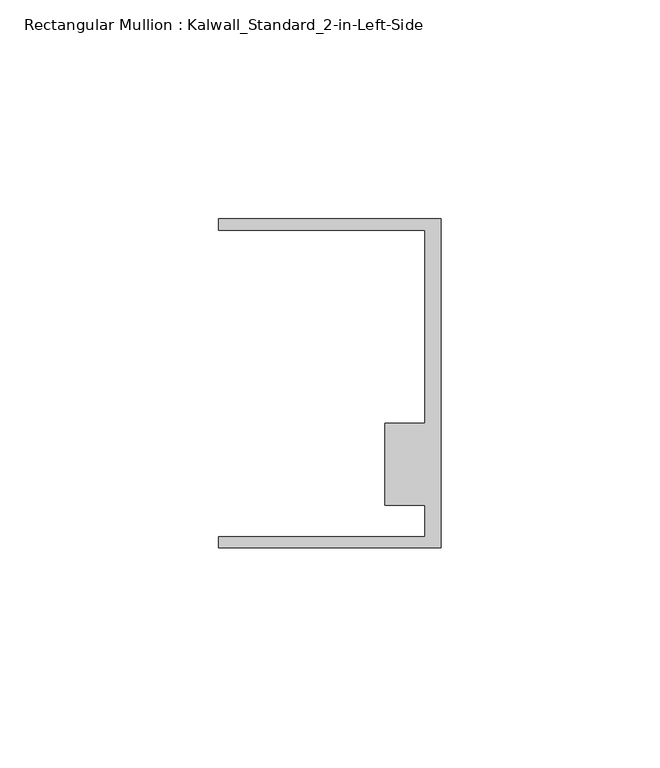
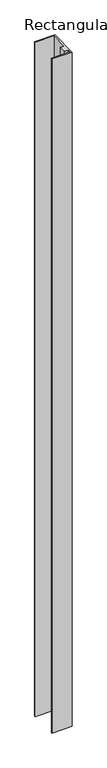
"""IFC4 building model written with IfcOpenShell, lengths in millimetres: member geometry, Rectangular Mullion : Kalwall_Standard_2-in-Left-Side."""

from ifc_helpers import new_model, si_unit, frame, origin, place, context, project, spatial, polyline, outline, extrude, source, transform, mapped, element, save


def rectangular_mullion_kalwall_standard_2_in_left_side_84ae4311(model_context):
    return source(origin(), model_context, "Body", "SweptSolid", [
        extrude(outline(polyline([(0.0, -37.5776386), (-50.8, -37.5776386), (-50.8, -35.0376386), (-3.7084, -35.0376386), (-3.7084, -27.8888568), (-12.8272539, -27.8888568), (-12.8272539, -9.1879886), (-3.7084, -9.1879886), (-3.7084, 34.9623614), (-50.8, 34.9623614), (-50.8, 37.5023614), (0.0, 37.5023614), (0.0, -37.5776386)])), frame((0.0, 0.0, -1795.25), z_axis=(0.0, 0.0, 1.0), x_axis=(1.0, 0.0, 0.0)), (0.0, 0.0, 1.0), 1795.25),
    ])


if __name__ == "__main__":
    model = new_model("IFC4")
    model_context = context("Model", 3, world=origin())
    ifc_project = project(units=[si_unit("LENGTHUNIT", "METRE", prefix="MILLI")], contexts=[model_context])
    site = spatial("IfcSite", under=ifc_project)
    building = spatial("IfcBuilding", under=site)
    placement = place(None, origin())
    rectangular_mullion_kalwall_standard_2_in_left_side_shape = rectangular_mullion_kalwall_standard_2_in_left_side_84ae4311(model_context)
    element("IfcMember", 1, ObjectType="Rectangular Mullion : Kalwall_Standard_2-in-Left-Side", at=placement, inside=building, context=model_context, shape_type="MappedRepresentation", body=[
        mapped(rectangular_mullion_kalwall_standard_2_in_left_side_shape, transform((0.0, 0.0, 0.0), x_axis=(1.0, 0.0, 0.0), y_axis=(0.0, 1.0, 0.0), z_axis=(0.0, 0.0, 1.0))),
    ])
    save(model, "model.ifc")
